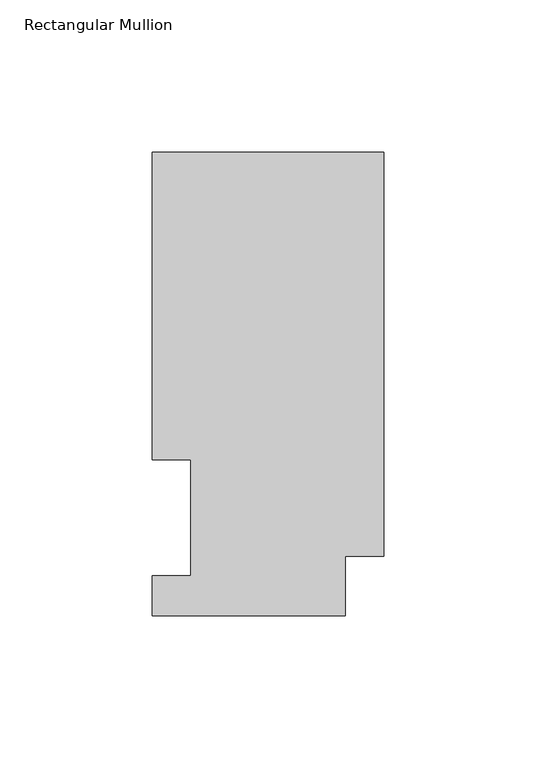
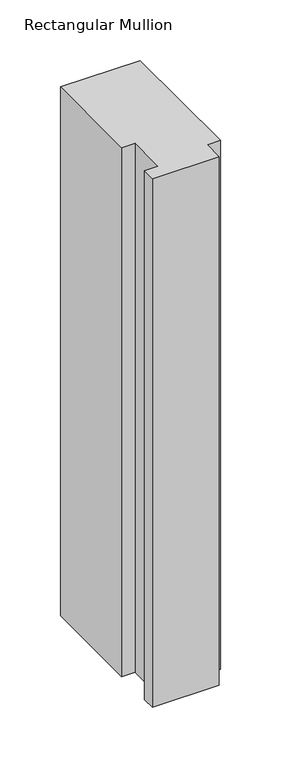
"""IFC4 building model written with IfcOpenShell, lengths in millimetres: member geometry, Rectangular Mullion."""

import ifcopenshell
import ifcopenshell.guid

model = None  # the IFC model being written
_history = None  # IfcOwnerHistory: only IFC2X3 demands one
_inside = {}  # id of a spatial element -> (the spatial element, [elements in it])
_under = {}  # id of a project, library or spatial element -> (it, [spatial elements below it])
_declared = {}  # id of a project -> (the project, [libraries it declares])
_typed = {}  # id of a type object -> (the type object, [elements of that type])
_made_of = {}  # id of a material, layer set ... -> (it, [elements and type objects made of it])


def new_model(schema):
    """Start an empty IFC model of exactly this schema.

    Asked for "IFC4X3", IfcOpenShell would pick the latest addendum, in which some entities
    have other attributes; the version numbers below select the first issue.
    IFC2X3 requires an IfcOwnerHistory on every rooted entity: one is made here for all.
    """
    global model, _history
    if schema == "IFC4X3":
        model = ifcopenshell.file(schema_version=(4, 3, 0, 0))
    else:
        model = ifcopenshell.file(schema=schema)
    _inside.clear()
    _under.clear()
    _declared.clear()
    _typed.clear()
    _made_of.clear()
    _history = None
    if model.schema == "IFC2X3":
        org = make("IfcOrganization", Name="unknown")
        user = make(
            "IfcPersonAndOrganization",
            ThePerson=make("IfcPerson", FamilyName="unknown"),
            TheOrganization=org,
        )
        app = make(
            "IfcApplication",
            ApplicationDeveloper=org,
            Version="unknown",
            ApplicationFullName="unknown",
            ApplicationIdentifier="unknown",
        )
        _history = make(
            "IfcOwnerHistory",
            OwningUser=user,
            OwningApplication=app,
            ChangeAction="ADDED",
            CreationDate=0,
        )
    return model


def make(cls, **values):
    """One entity of the class cls with the attributes given. An attribute that is None is left unset."""
    return model.create_entity(
        cls, **{name: value for name, value in values.items() if value is not None}
    )


def rooted(cls, **values):
    """An entity with a GlobalId (a new one), such as an element, a storey or a relation."""
    return make(cls, GlobalId=ifcopenshell.guid.new(), OwnerHistory=_history, **values)


def si_unit(unit_type, name, prefix=None):
    """IfcSIUnit, for example si_unit("LENGTHUNIT", "METRE", prefix="MILLI")."""
    return make("IfcSIUnit", UnitType=unit_type, Prefix=prefix, Name=name)


def assignment(units):
    """IfcUnitAssignment: the units of a project."""
    return None if units is None else make("IfcUnitAssignment", Units=units)


def point(xyz):
    """IfcCartesianPoint."""
    return None if xyz is None else make("IfcCartesianPoint", Coordinates=xyz)


def direction(xyz):
    """IfcDirection."""
    return None if xyz is None else make("IfcDirection", DirectionRatios=xyz)


def frame(location, z_axis=None, x_axis=None):
    """IfcAxis2Placement3D, a coordinate frame: its origin and axes. An axis left out is left unset."""
    return make(
        "IfcAxis2Placement3D",
        Location=point(location),
        Axis=direction(z_axis),
        RefDirection=direction(x_axis),
    )


def origin():
    """The frame at (0, 0, 0) with its axes left unset."""
    return frame((0.0, 0.0, 0.0))


def place(relative_to, where):
    """IfcLocalPlacement: puts the frame where relative to a parent placement (None: the world)."""
    return make(
        "IfcLocalPlacement", PlacementRelTo=relative_to, RelativePlacement=where
    )


def context(
    kind, dimensions, precision=None, world=None, true_north=None, identifier=None
):
    """IfcGeometricRepresentationContext, for example the 3D "Model" context."""
    return make(
        "IfcGeometricRepresentationContext",
        ContextIdentifier=identifier,
        ContextType=kind,
        CoordinateSpaceDimension=dimensions,
        Precision=precision,
        WorldCoordinateSystem=world,
        TrueNorth=true_north,
    )


def project(units=None, contexts=None):
    """IfcProject with its units and contexts."""
    return rooted(
        "IfcProject",
        Name="project",
        RepresentationContexts=contexts,
        UnitsInContext=assignment(units),
    )


def spatial(cls, under=None, at=None, **own):
    """A site, building, storey or space (cls), placed at a placement, below another one or the project."""
    s = rooted(cls, ObjectPlacement=at, **own)
    if under is not None:
        _under.setdefault(under.id(), (under, []))[1].append(s)
    return s


def polyline(points):
    """IfcPolyline through the points."""
    return make("IfcPolyline", Points=[point(p) for p in points])


def outline(outer, holes=None, kind="AREA"):
    """IfcArbitraryClosedProfileDef: a profile drawn as a closed curve; with holes, ...WithVoids."""
    if holes is None:
        return make("IfcArbitraryClosedProfileDef", ProfileType=kind, OuterCurve=outer)
    return make(
        "IfcArbitraryProfileDefWithVoids",
        ProfileType=kind,
        OuterCurve=outer,
        InnerCurves=holes,
    )


def extrude(swept, where, along, depth):
    """IfcExtrudedAreaSolid: the profile swept, set in the frame where, extruded along a direction by depth."""
    return make(
        "IfcExtrudedAreaSolid",
        SweptArea=swept,
        Position=where,
        ExtrudedDirection=direction(along),
        Depth=depth,
    )


def shape(context_of_items, identifier, shape_type, items):
    """IfcShapeRepresentation: the items that make up one representation, for example the "Body"."""
    return make(
        "IfcShapeRepresentation",
        ContextOfItems=context_of_items,
        RepresentationIdentifier=identifier,
        RepresentationType=shape_type,
        Items=items,
    )


def source(mapping_origin, context_of_items, identifier, shape_type, items):
    """IfcRepresentationMap: a shape defined once, which mapped items show again and again."""
    return make(
        "IfcRepresentationMap",
        MappingOrigin=mapping_origin,
        MappedRepresentation=shape(context_of_items, identifier, shape_type, items),
    )


def transform(
    local_origin,
    x_axis=None,
    y_axis=None,
    z_axis=None,
    scale=None,
    scale2=None,
    scale3=None,
    uniform=True,
):
    """IfcCartesianTransformationOperator3D, or its non-uniform kind. x_axis, y_axis, z_axis: its Axis1, 2, 3."""
    if uniform:
        return make(
            "IfcCartesianTransformationOperator3D",
            Axis1=direction(x_axis),
            Axis2=direction(y_axis),
            LocalOrigin=point(local_origin),
            Scale=scale,
            Axis3=direction(z_axis),
        )
    return make(
        "IfcCartesianTransformationOperator3DnonUniform",
        Axis1=direction(x_axis),
        Axis2=direction(y_axis),
        LocalOrigin=point(local_origin),
        Scale=scale,
        Axis3=direction(z_axis),
        Scale2=scale2,
        Scale3=scale3,
    )


def mapped(mapping_source, mapping_target):
    """IfcMappedItem: shows the shape of a source again, moved by a transform."""
    return make(
        "IfcMappedItem", MappingSource=mapping_source, MappingTarget=mapping_target
    )


def made_of(thing, what):
    """Note that an element or type object is made of a material, layer set ...; save() writes the relation."""
    if what is not None:
        _made_of.setdefault(what.id(), (what, []))[1].append(thing)
    return thing


def element(
    cls,
    number,
    at=None,
    inside=None,
    cuts=None,
    type_object=None,
    material=None,
    context=None,
    identifier="Body",
    shape_type=None,
    held_by="IfcProductDefinitionShape",
    body=None,
    shapes=None,
    **own,
):
    """One element of the class cls, such as IfcWall. Its Tag is "e" and its number.

    at: its placement. inside: the storey or other place that contains it. cuts: it is an
    opening in that element (IfcRelVoidsElement). A single representation is given by context,
    identifier, shape_type and body (its items); several are given by shapes. held_by: the class
    of the entity that holds the representations. save() writes the other relations.
    """
    e = rooted(cls, Tag="e%d" % number, ObjectPlacement=at, **own)
    if body is not None:
        shapes = [shape(context, identifier, shape_type, body)]
    if shapes is not None:
        e.Representation = make(held_by, Representations=shapes)
    if inside is not None:
        _inside.setdefault(inside.id(), (inside, []))[1].append(e)
    if cuts is not None:
        rooted(
            "IfcRelVoidsElement", RelatingBuildingElement=cuts, RelatedOpeningElement=e
        )
    if type_object is not None:
        _typed.setdefault(type_object.id(), (type_object, []))[1].append(e)
    return made_of(e, material)


def aggregate(whole, parts):
    """IfcRelAggregates: a whole, such as a stair, and the parts it consists of."""
    return rooted("IfcRelAggregates", RelatingObject=whole, RelatedObjects=parts)


def save(model, path):
    """Write the relations noted so far, then the file.

    IfcRelAggregates (storeys below a building ...), IfcRelContainedInSpatialStructure (elements
    in a storey), IfcRelDefinesByType, IfcRelAssociatesMaterial and IfcRelDeclares: one each for
    every whole, place, type object, material and project.
    """
    for whole, parts in _under.values():
        aggregate(whole, parts)
    for where, things in _inside.values():
        rooted(
            "IfcRelContainedInSpatialStructure",
            RelatedElements=things,
            RelatingStructure=where,
        )
    for kind, things in _typed.values():
        rooted("IfcRelDefinesByType", RelatedObjects=things, RelatingType=kind)
    for what, things in _made_of.values():
        rooted("IfcRelAssociatesMaterial", RelatedObjects=things, RelatingMaterial=what)
    for by, libraries in _declared.values():
        rooted("IfcRelDeclares", RelatingContext=by, RelatedDefinitions=libraries)
    model.write(path)


def rectangular_mullion_522a9e04(model_context):
    return source(origin(), model_context, "Body", "SweptSolid", [
        extrude(outline(polyline([(-76.2, 13.1960938), (-63.5127, 13.1960938), (-63.5127, 51.2960938), (-76.2, 51.2960938), (-76.2, 152.4896938), (0.0, 152.4896938), (0.0, 19.5460937), (-12.7, 19.5460937), (-12.7, 0.0134938), (-76.2, 0.0134938), (-76.2, 13.1960938)])), frame((0.0, 0.0, -533.4), z_axis=(0.0, 0.0, 1.0), x_axis=(1.0, 0.0, 0.0)), (0.0, 0.0, 1.0), 533.4),
    ])


if __name__ == "__main__":
    model = new_model("IFC4")
    model_context = context("Model", 3, world=origin())
    ifc_project = project(units=[si_unit("LENGTHUNIT", "METRE", prefix="MILLI")], contexts=[model_context])
    site = spatial("IfcSite", under=ifc_project)
    building = spatial("IfcBuilding", under=site)
    placement = place(None, origin())
    rectangular_mullion_shape = rectangular_mullion_522a9e04(model_context)
    element("IfcMember", 1, ObjectType="Rectangular Mullion", at=placement, inside=building, context=model_context, shape_type="MappedRepresentation", body=[
        mapped(rectangular_mullion_shape, transform((0.0, 0.0, 0.0), x_axis=(1.0, 0.0, 0.0), y_axis=(0.0, 1.0, 0.0), z_axis=(0.0, 0.0, 1.0))),
    ])
    save(model, "model.ifc")
